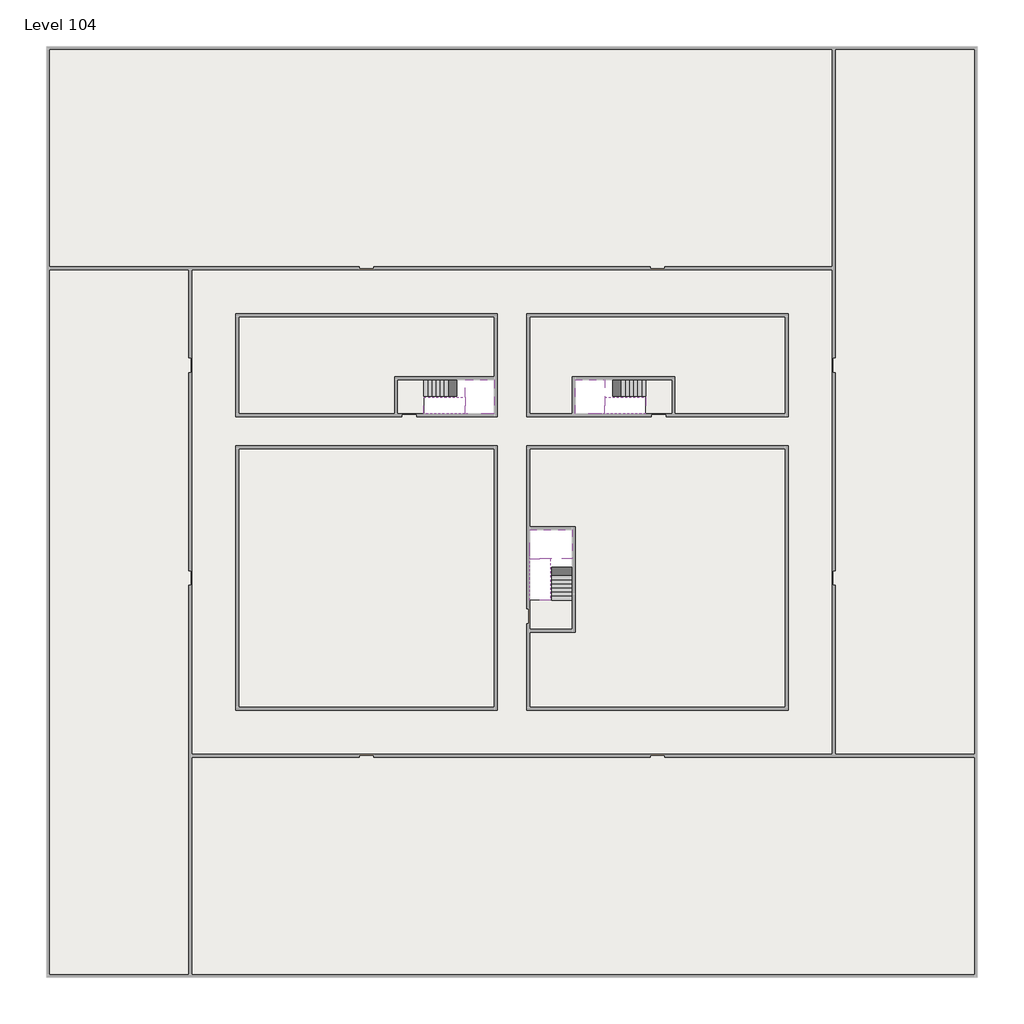
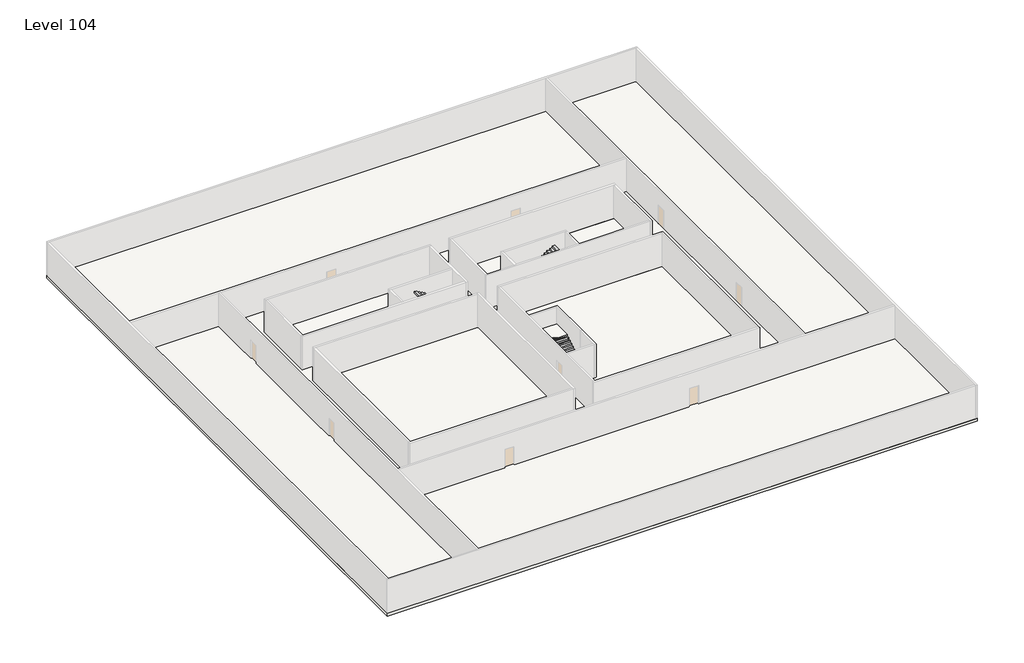
# One storey, part 2 of 2: 6 slabs, 6 stair flights.
"""IFC4 building model written with IfcOpenShell, lengths in millimetres."""

from ifc_helpers import new_model, si_unit, frame, origin, place, context, project, spatial, polyline, outline, extrude, faceted_brep, element, save

model = new_model("IFC4")

# Units and contexts
model_context = context("Model", 3, world=origin())
ifc_project = project(units=[si_unit("LENGTHUNIT", "METRE", prefix="MILLI")], contexts=[model_context])

# Site, building, storey
site = spatial("IfcSite", under=ifc_project)
building = spatial("IfcBuilding", under=site)
storey = spatial("IfcBuildingStorey", under=building, Name="Level 104", Elevation=391400.0)

# Slabs
placement = place(None, origin())
element("IfcSlab", 1, at=placement, inside=storey, context=model_context, shape_type="SweptSolid", body=[
    extrude(outline(polyline([(55890.1058784, -5518.09644), (55890.1058784, -68918.09644), (-7509.8941216, -68918.09644), (-7509.8941216, -5518.09644), (55890.1058784, -5518.09644)]), holes=[polyline([(22990.1058784, -23918.09644), (5590.1058784, -23918.09644), (5590.1058784, -30518.09644), (22990.1058784, -30518.09644), (22990.1058784, -23918.09644)]), polyline([(42990.1058784, -23918.09644), (25390.1058784, -23918.09644), (25390.1058784, -30518.09644), (42990.1058784, -30518.09644), (42990.1058784, -23918.09644)]), polyline([(25390.1058784, -50518.09644), (42790.1058784, -50518.09644), (42790.1058784, -32918.09644), (25390.1058784, -32918.09644), (25390.1058784, -50518.09644)]), polyline([(22990.1058784, -32918.09644), (5590.1058784, -32918.09644), (5590.1058784, -50518.09644), (22990.1058784, -50518.09644), (22990.1058784, -32918.09644)])]), frame((0.0, 0.0, 391100.0), z_axis=(0.0, 0.0, 1.0), x_axis=(1.0, 0.0, 0.0)), (0.0, 0.0, 1.0), 300.0),
])
element("IfcSlab", 2, at=placement, inside=storey, context=model_context, shape_type="SweptSolid", body=[
    extrude(outline(polyline([(22990.1058784, -23918.09644), (22990.1058784, -28018.09644), (16190.1058784, -28018.09644), (16190.1058784, -30518.09644), (5590.1058784, -30518.09644), (5590.1058784, -23918.09644), (22990.1058784, -23918.09644)])), frame((0.0, 0.0, 391100.0), z_axis=(0.0, 0.0, 1.0), x_axis=(1.0, 0.0, 0.0)), (0.0, 0.0, 1.0), 300.0),
    extrude(outline(polyline([(42790.1058784, -23918.09644), (42790.1058784, -30518.09644), (35290.1058784, -30518.09644), (35290.1058784, -28018.09644), (28490.1058784, -28018.09644), (28490.1058784, -30518.09644), (25390.1058784, -30518.09644), (25390.1058784, -23918.09644), (42790.1058784, -23918.09644)])), frame((0.0, 0.0, 391100.0), z_axis=(0.0, 0.0, 1.0), x_axis=(1.0, 0.0, 0.0)), (0.0, 0.0, 1.0), 300.0),
    extrude(outline(polyline([(22990.1058784, -32918.09644), (22990.1058784, -50518.09644), (5590.1058784, -50518.09644), (5590.1058784, -32918.09644), (22990.1058784, -32918.09644)])), frame((0.0, 0.0, 391100.0), z_axis=(0.0, 0.0, 1.0), x_axis=(1.0, 0.0, 0.0)), (0.0, 0.0, 1.0), 300.0),
    extrude(outline(polyline([(25390.1058784, -38218.09644), (25390.1058784, -32918.09644), (42790.1058784, -32918.09644), (42790.1058784, -50518.09644), (25390.1058784, -50518.09644), (25390.1058784, -45418.09644), (28490.1058784, -45418.09644), (28490.1058784, -38218.09644), (25390.1058784, -38218.09644)])), frame((0.0, 0.0, 391100.0), z_axis=(0.0, 0.0, 1.0), x_axis=(1.0, 0.0, 0.0)), (0.0, 0.0, 1.0), 300.0),
])
element("IfcSlab", 3, at=placement, inside=storey, context=model_context, shape_type="Brep", body=[
    faceted_brep([(26890.1058784, -40418.09644, 393300.0), (28290.1058784, -40418.09644, 393300.0), (28290.1058784, -40338.7100038, 393300.0), (28290.1058784, -38418.09644, 393300.0), (25390.1058784, -38418.09644, 393300.0), (25390.1058784, -40217.4828763, 393300.0), (25390.1058784, -40418.09644, 393300.0), (26790.1058784, -40418.09644, 393300.0), (26890.1058784, -40418.09644, 393000.0), (26890.1058784, -40418.09644, 392951.0278478), (28290.1058784, -40418.09644, 392951.0278478), (28290.1058784, -40418.09644, 393127.2727273), (28290.1058784, -40338.7100038, 393000.0), (28290.1058784, -38418.09644, 393000.0), (25390.1058784, -38418.09644, 393000.0), (25390.1058784, -40217.4828763, 393000.0), (25390.1058784, -40418.09644, 393123.7551205), (26790.1058784, -40418.09644, 393123.7551205), (26790.1058784, -40418.09644, 393000.0), (26790.1058784, -40217.4828763, 393000.0), (26890.1058784, -40338.7100038, 393000.0)], [[[0, 1, 2, 3, 4, 5, 6, 7]], [[1, 0, 8, 9, 10, 11]], [[1, 11, 10, 12, 13, 3, 2]], [[4, 3, 13, 14]], [[4, 14, 15, 16, 6, 5]], [[7, 6, 16, 17]], [[0, 7, 17, 18, 8]], [[18, 19, 15, 14, 13, 12, 20, 8]], [[19, 18, 17]], [[20, 12, 10, 9]], [[8, 20, 9]], [[15, 19, 17, 16]]]),
])
element("IfcSlab", 4, at=placement, inside=storey, context=model_context, shape_type="Brep", body=[
    faceted_brep([(20990.1058784, -28218.09644, 393300.0), (20990.1058784, -29318.09644, 393300.0), (20990.1058784, -29418.09644, 393300.0), (20990.1058784, -30518.09644, 393300.0), (21190.7194421, -30518.09644, 393300.0), (22990.1058784, -30518.09644, 393300.0), (22990.1058784, -28218.09644, 393300.0), (21069.4923146, -28218.09644, 393300.0), (20990.1058784, -28218.09644, 393127.2727273), (20990.1058784, -28218.09644, 392951.0278478), (20990.1058784, -29318.09644, 392951.0278478), (20990.1058784, -29318.09644, 393000.0), (20990.1058784, -29418.09644, 393000.0), (20990.1058784, -29418.09644, 393123.7551205), (20990.1058784, -30518.09644, 393123.7551205), (21190.7194421, -30518.09644, 393000.0), (22990.1058784, -30518.09644, 393000.0), (22990.1058784, -28218.09644, 393000.0), (21069.4923146, -28218.09644, 393000.0), (21190.7194421, -29418.09644, 393000.0), (21069.4923146, -29318.09644, 393000.0)], [[[0, 1, 2, 3, 4, 5, 6, 7]], [[1, 0, 8, 9, 10, 11]], [[2, 1, 11, 12, 13]], [[3, 2, 13, 14]], [[3, 14, 15, 16, 5, 4]], [[6, 5, 16, 17]], [[9, 8, 0, 7, 6, 17, 18]], [[19, 12, 11, 20, 18, 17, 16, 15]], [[12, 19, 13]], [[18, 20, 10, 9]], [[20, 11, 10]], [[19, 15, 14, 13]]]),
])
element("IfcSlab", 5, at=placement, inside=storey, context=model_context, shape_type="Brep", body=[
    faceted_brep([(30490.1058784, -29318.09644, 393300.0), (30490.1058784, -28218.09644, 393300.0), (30410.7194421, -28218.09644, 393300.0), (28490.1058784, -28218.09644, 393300.0), (28490.1058784, -30518.09644, 393300.0), (30289.4923146, -30518.09644, 393300.0), (30490.1058784, -30518.09644, 393300.0), (30490.1058784, -29418.09644, 393300.0), (30490.1058784, -29318.09644, 393000.0), (30490.1058784, -29318.09644, 392951.0278478), (30490.1058784, -28218.09644, 392951.0278478), (30490.1058784, -28218.09644, 393127.2727273), (30490.1058784, -29418.09644, 393123.7551205), (30490.1058784, -29418.09644, 393000.0), (30490.1058784, -30518.09644, 393123.7551205), (28490.1058784, -30518.09644, 393000.0), (30289.4923146, -30518.09644, 393000.0), (28490.1058784, -28218.09644, 393000.0), (30410.7194421, -28218.09644, 393000.0), (30289.4923146, -29418.09644, 393000.0), (30410.7194421, -29318.09644, 393000.0)], [[[0, 1, 2, 3, 4, 5, 6, 7]], [[1, 0, 8, 9, 10, 11]], [[0, 7, 12, 13, 8]], [[7, 6, 14, 12]], [[4, 15, 16, 14, 6, 5]], [[4, 3, 17, 15]], [[1, 11, 10, 18, 17, 3, 2]], [[13, 19, 16, 15, 17, 18, 20, 8]], [[20, 18, 10, 9]], [[8, 20, 9]], [[16, 19, 12, 14]], [[19, 13, 12]]]),
])
element("IfcSlab", 6, at=placement, inside=storey, context=model_context, shape_type="SweptSolid", body=[
    extrude(outline(polyline([(35090.1058784, -28218.09644), (35090.1058784, -30518.09644), (33290.1058784, -30518.09644), (33290.1058784, -28218.09644), (35090.1058784, -28218.09644)])), frame((0.0, 0.0, 391100.0), z_axis=(0.0, 0.0, 1.0), x_axis=(1.0, 0.0, 0.0)), (0.0, 0.0, 1.0), 300.0),
    extrude(outline(polyline([(18190.1058784, -28218.09644), (18190.1058784, -30518.09644), (16390.1058784, -30518.09644), (16390.1058784, -28218.09644), (18190.1058784, -28218.09644)])), frame((0.0, 0.0, 391100.0), z_axis=(0.0, 0.0, 1.0), x_axis=(1.0, 0.0, 0.0)), (0.0, 0.0, 1.0), 300.0),
    extrude(outline(polyline([(28290.1058784, -43218.09644), (28290.1058784, -45218.09644), (25390.1058784, -45218.09644), (25390.1058784, -43218.09644), (28290.1058784, -43218.09644)])), frame((0.0, 0.0, 391100.0), z_axis=(0.0, 0.0, 1.0), x_axis=(1.0, 0.0, 0.0)), (0.0, 0.0, 1.0), 300.0),
])

# Stair flights
element("IfcStairFlight", 7, at=placement, inside=storey, context=model_context, shape_type="Brep", body=[
    faceted_brep([(26890.1058784, -42938.09644, 391572.7272727), (26890.1058784, -43218.09644, 391572.7272727), (28290.1058784, -43218.09644, 391572.7272727), (28290.1058784, -42938.09644, 391572.7272727), (26890.1058784, -42938.09644, 391400.0), (26890.1058784, -43218.09644, 391400.0), (28290.1058784, -43218.09644, 391400.0), (28290.1058784, -42938.09644, 391400.0), (26890.1058784, -42658.09644, 391745.4545455), (26890.1058784, -42938.09644, 391745.4545455), (28290.1058784, -42938.09644, 391745.4545455), (28290.1058784, -42658.09644, 391745.4545455), (26890.1058784, -42658.09644, 391569.209666), (26890.1058784, -42932.3942143, 391400.0), (28290.1058784, -42932.3942143, 391400.0), (28290.1058784, -42658.09644, 391569.209666), (26890.1058784, -42378.09644, 391918.1818182), (26890.1058784, -42658.09644, 391918.1818182), (28290.1058784, -42658.09644, 391918.1818182), (28290.1058784, -42378.09644, 391918.1818182), (26890.1058784, -42378.09644, 391741.9369387), (28290.1058784, -42378.09644, 391741.9369387), (26890.1058784, -42098.09644, 392090.9090909), (26890.1058784, -42378.09644, 392090.9090909), (28290.1058784, -42378.09644, 392090.9090909), (28290.1058784, -42098.09644, 392090.9090909), (26890.1058784, -42098.09644, 391914.6642114), (28290.1058784, -42098.09644, 391914.6642114), (26890.1058784, -41818.09644, 392263.6363636), (26890.1058784, -42098.09644, 392263.6363636), (28290.1058784, -42098.09644, 392263.6363636), (28290.1058784, -41818.09644, 392263.6363636), (26890.1058784, -41818.09644, 392087.3914841), (28290.1058784, -41818.09644, 392087.3914841), (26890.1058784, -41538.09644, 392436.3636364), (26890.1058784, -41818.09644, 392436.3636364), (28290.1058784, -41818.09644, 392436.3636364), (28290.1058784, -41538.09644, 392436.3636364), (26890.1058784, -41538.09644, 392260.1187569), (28290.1058784, -41538.09644, 392260.1187569), (26890.1058784, -41258.09644, 392609.0909091), (26890.1058784, -41538.09644, 392609.0909091), (28290.1058784, -41538.09644, 392609.0909091), (28290.1058784, -41258.09644, 392609.0909091), (26890.1058784, -41258.09644, 392432.8460296), (28290.1058784, -41258.09644, 392432.8460296), (26890.1058784, -40978.09644, 392781.8181818), (26890.1058784, -41258.09644, 392781.8181818), (28290.1058784, -41258.09644, 392781.8181818), (28290.1058784, -40978.09644, 392781.8181818), (26890.1058784, -40978.09644, 392605.5733023), (28290.1058784, -40978.09644, 392605.5733023), (26890.1058784, -40698.09644, 392954.5454545), (26890.1058784, -40978.09644, 392954.5454545), (28290.1058784, -40978.09644, 392954.5454545), (28290.1058784, -40698.09644, 392954.5454545), (26890.1058784, -40698.09644, 392778.3005751), (28290.1058784, -40698.09644, 392778.3005751), (26890.1058784, -40418.09644, 393127.2727273), (26890.1058784, -40698.09644, 393127.2727273), (28290.1058784, -40698.09644, 393127.2727273), (28290.1058784, -40418.09644, 393127.2727273), (26890.1058784, -40418.09644, 393000.0), (26890.1058784, -40418.09644, 392951.0278478), (28290.1058784, -40418.09644, 392951.0278478)], [[[0, 1, 2, 3]], [[1, 0, 4, 5]], [[2, 1, 5, 6]], [[3, 2, 6, 7]], [[8, 9, 10, 11]], [[4, 0, 9, 8, 12, 13]], [[0, 3, 10, 9]], [[3, 7, 14, 15, 11, 10]], [[16, 17, 18, 19]], [[17, 16, 20, 12, 8]], [[8, 11, 18, 17]], [[19, 18, 11, 15, 21]], [[22, 23, 24, 25]], [[23, 22, 26, 20, 16]], [[16, 19, 24, 23]], [[25, 24, 19, 21, 27]], [[28, 29, 30, 31]], [[29, 28, 32, 26, 22]], [[22, 25, 30, 29]], [[31, 30, 25, 27, 33]], [[34, 35, 36, 37]], [[35, 34, 38, 32, 28]], [[28, 31, 36, 35]], [[37, 36, 31, 33, 39]], [[40, 41, 42, 43]], [[41, 40, 44, 38, 34]], [[34, 37, 42, 41]], [[43, 42, 37, 39, 45]], [[46, 47, 48, 49]], [[47, 46, 50, 44, 40]], [[40, 43, 48, 47]], [[49, 48, 43, 45, 51]], [[52, 53, 54, 55]], [[53, 52, 56, 50, 46]], [[46, 49, 54, 53]], [[55, 54, 49, 51, 57]], [[58, 59, 60, 61]], [[59, 58, 62, 63, 56, 52]], [[52, 55, 60, 59]], [[61, 60, 55, 57, 64]], [[58, 61, 64, 63, 62]], [[5, 4, 13, 14, 7, 6]], [[14, 13, 12, 20, 26, 32, 38, 44, 50, 56, 63, 64, 57, 51, 45, 39, 33, 27, 21, 15]]]),
])
element("IfcStairFlight", 8, at=placement, inside=storey, context=model_context, shape_type="Brep", body=[
    faceted_brep([(26790.1058784, -40698.09644, 393472.7272727), (26790.1058784, -40418.09644, 393472.7272727), (25390.1058784, -40418.09644, 393472.7272727), (25390.1058784, -40698.09644, 393472.7272727), (26790.1058784, -40698.09644, 393296.4823932), (26790.1058784, -40418.09644, 393123.7551205), (25390.1058784, -40418.09644, 393123.7551205), (25390.1058784, -40418.09644, 393300.0), (25390.1058784, -40698.09644, 393296.4823932), (26790.1058784, -40978.09644, 393645.4545455), (26790.1058784, -40698.09644, 393645.4545455), (25390.1058784, -40698.09644, 393645.4545455), (25390.1058784, -40978.09644, 393645.4545455), (26790.1058784, -40978.09644, 393469.209666), (25390.1058784, -40978.09644, 393469.209666), (26790.1058784, -41258.09644, 393818.1818182), (26790.1058784, -40978.09644, 393818.1818182), (25390.1058784, -40978.09644, 393818.1818182), (25390.1058784, -41258.09644, 393818.1818182), (26790.1058784, -41258.09644, 393641.9369387), (25390.1058784, -41258.09644, 393641.9369387), (26790.1058784, -41538.09644, 393990.9090909), (26790.1058784, -41258.09644, 393990.9090909), (25390.1058784, -41258.09644, 393990.9090909), (25390.1058784, -41538.09644, 393990.9090909), (26790.1058784, -41538.09644, 393814.6642114), (25390.1058784, -41538.09644, 393814.6642114), (26790.1058784, -41818.09644, 394163.6363636), (26790.1058784, -41538.09644, 394163.6363636), (25390.1058784, -41538.09644, 394163.6363636), (25390.1058784, -41818.09644, 394163.6363636), (26790.1058784, -41818.09644, 393987.3914841), (25390.1058784, -41818.09644, 393987.3914841), (26790.1058784, -42098.09644, 394336.3636364), (26790.1058784, -41818.09644, 394336.3636364), (25390.1058784, -41818.09644, 394336.3636364), (25390.1058784, -42098.09644, 394336.3636364), (26790.1058784, -42098.09644, 394160.1187569), (25390.1058784, -42098.09644, 394160.1187569), (26790.1058784, -42378.09644, 394509.0909091), (26790.1058784, -42098.09644, 394509.0909091), (25390.1058784, -42098.09644, 394509.0909091), (25390.1058784, -42378.09644, 394509.0909091), (26790.1058784, -42378.09644, 394332.8460296), (25390.1058784, -42378.09644, 394332.8460296), (26790.1058784, -42658.09644, 394681.8181818), (26790.1058784, -42378.09644, 394681.8181818), (25390.1058784, -42378.09644, 394681.8181818), (25390.1058784, -42658.09644, 394681.8181818), (26790.1058784, -42658.09644, 394505.5733023), (25390.1058784, -42658.09644, 394505.5733023), (26790.1058784, -42938.09644, 394854.5454545), (26790.1058784, -42658.09644, 394854.5454545), (25390.1058784, -42658.09644, 394854.5454545), (25390.1058784, -42938.09644, 394854.5454545), (26790.1058784, -42938.09644, 394678.3005751), (25390.1058784, -42938.09644, 394678.3005751), (26790.1058784, -43218.09644, 395027.2727273), (26790.1058784, -42938.09644, 395027.2727273), (25390.1058784, -42938.09644, 395027.2727273), (25390.1058784, -43218.09644, 395027.2727273), (26790.1058784, -43218.09644, 394851.0278478), (25390.1058784, -43218.09644, 394851.0278478)], [[[0, 1, 2, 3]], [[1, 0, 4, 5]], [[2, 1, 5, 6, 7]], [[3, 2, 7, 6, 8]], [[9, 10, 11, 12]], [[10, 9, 13, 4, 0]], [[11, 10, 0, 3]], [[12, 11, 3, 8, 14]], [[15, 16, 17, 18]], [[16, 15, 19, 13, 9]], [[17, 16, 9, 12]], [[18, 17, 12, 14, 20]], [[21, 22, 23, 24]], [[22, 21, 25, 19, 15]], [[23, 22, 15, 18]], [[24, 23, 18, 20, 26]], [[27, 28, 29, 30]], [[28, 27, 31, 25, 21]], [[29, 28, 21, 24]], [[30, 29, 24, 26, 32]], [[33, 34, 35, 36]], [[34, 33, 37, 31, 27]], [[35, 34, 27, 30]], [[36, 35, 30, 32, 38]], [[39, 40, 41, 42]], [[40, 39, 43, 37, 33]], [[41, 40, 33, 36]], [[42, 41, 36, 38, 44]], [[45, 46, 47, 48]], [[46, 45, 49, 43, 39]], [[47, 46, 39, 42]], [[48, 47, 42, 44, 50]], [[51, 52, 53, 54]], [[52, 51, 55, 49, 45]], [[53, 52, 45, 48]], [[54, 53, 48, 50, 56]], [[57, 58, 59, 60]], [[58, 57, 61, 55, 51]], [[59, 58, 51, 54]], [[60, 59, 54, 56, 62]], [[57, 60, 62, 61]], [[5, 4, 13, 19, 25, 31, 37, 43, 49, 55, 61, 62, 56, 50, 44, 38, 32, 26, 20, 14, 8, 6]]]),
])
element("IfcStairFlight", 9, at=placement, inside=storey, context=model_context, shape_type="Brep", body=[
    faceted_brep([(18470.1058784, -28218.09644, 391572.7272727), (18190.1058784, -28218.09644, 391572.7272727), (18190.1058784, -29318.09644, 391572.7272727), (18470.1058784, -29318.09644, 391572.7272727), (18470.1058784, -28218.09644, 391400.0), (18190.1058784, -28218.09644, 391400.0), (18190.1058784, -29318.09644, 391400.0), (18470.1058784, -29318.09644, 391400.0), (18750.1058784, -28218.09644, 391745.4545455), (18470.1058784, -28218.09644, 391745.4545455), (18470.1058784, -29318.09644, 391745.4545455), (18750.1058784, -29318.09644, 391745.4545455), (18750.1058784, -28218.09644, 391569.209666), (18475.8081041, -28218.09644, 391400.0), (18475.8081041, -29318.09644, 391400.0), (18750.1058784, -29318.09644, 391569.209666), (19030.1058784, -28218.09644, 391918.1818182), (18750.1058784, -28218.09644, 391918.1818182), (18750.1058784, -29318.09644, 391918.1818182), (19030.1058784, -29318.09644, 391918.1818182), (19030.1058784, -28218.09644, 391741.9369387), (19030.1058784, -29318.09644, 391741.9369387), (19310.1058784, -28218.09644, 392090.9090909), (19030.1058784, -28218.09644, 392090.9090909), (19030.1058784, -29318.09644, 392090.9090909), (19310.1058784, -29318.09644, 392090.9090909), (19310.1058784, -28218.09644, 391914.6642114), (19310.1058784, -29318.09644, 391914.6642114), (19590.1058784, -28218.09644, 392263.6363636), (19310.1058784, -28218.09644, 392263.6363636), (19310.1058784, -29318.09644, 392263.6363636), (19590.1058784, -29318.09644, 392263.6363636), (19590.1058784, -28218.09644, 392087.3914841), (19590.1058784, -29318.09644, 392087.3914841), (19870.1058784, -28218.09644, 392436.3636364), (19590.1058784, -28218.09644, 392436.3636364), (19590.1058784, -29318.09644, 392436.3636364), (19870.1058784, -29318.09644, 392436.3636364), (19870.1058784, -28218.09644, 392260.1187569), (19870.1058784, -29318.09644, 392260.1187569), (20150.1058784, -28218.09644, 392609.0909091), (19870.1058784, -28218.09644, 392609.0909091), (19870.1058784, -29318.09644, 392609.0909091), (20150.1058784, -29318.09644, 392609.0909091), (20150.1058784, -28218.09644, 392432.8460296), (20150.1058784, -29318.09644, 392432.8460296), (20430.1058784, -28218.09644, 392781.8181818), (20150.1058784, -28218.09644, 392781.8181818), (20150.1058784, -29318.09644, 392781.8181818), (20430.1058784, -29318.09644, 392781.8181818), (20430.1058784, -28218.09644, 392605.5733023), (20430.1058784, -29318.09644, 392605.5733023), (20710.1058784, -28218.09644, 392954.5454545), (20430.1058784, -28218.09644, 392954.5454545), (20430.1058784, -29318.09644, 392954.5454545), (20710.1058784, -29318.09644, 392954.5454545), (20710.1058784, -28218.09644, 392778.3005751), (20710.1058784, -29318.09644, 392778.3005751), (20990.1058784, -28218.09644, 393127.2727273), (20710.1058784, -28218.09644, 393127.2727273), (20710.1058784, -29318.09644, 393127.2727273), (20990.1058784, -29318.09644, 393127.2727273), (20990.1058784, -28218.09644, 392951.0278478), (20990.1058784, -29318.09644, 392951.0278478), (20990.1058784, -29318.09644, 393000.0)], [[[0, 1, 2, 3]], [[1, 0, 4, 5]], [[2, 1, 5, 6]], [[3, 2, 6, 7]], [[8, 9, 10, 11]], [[4, 0, 9, 8, 12, 13]], [[0, 3, 10, 9]], [[3, 7, 14, 15, 11, 10]], [[16, 17, 18, 19]], [[17, 16, 20, 12, 8]], [[8, 11, 18, 17]], [[19, 18, 11, 15, 21]], [[22, 23, 24, 25]], [[23, 22, 26, 20, 16]], [[16, 19, 24, 23]], [[25, 24, 19, 21, 27]], [[28, 29, 30, 31]], [[29, 28, 32, 26, 22]], [[22, 25, 30, 29]], [[31, 30, 25, 27, 33]], [[34, 35, 36, 37]], [[35, 34, 38, 32, 28]], [[28, 31, 36, 35]], [[37, 36, 31, 33, 39]], [[40, 41, 42, 43]], [[41, 40, 44, 38, 34]], [[34, 37, 42, 41]], [[43, 42, 37, 39, 45]], [[46, 47, 48, 49]], [[47, 46, 50, 44, 40]], [[40, 43, 48, 47]], [[49, 48, 43, 45, 51]], [[52, 53, 54, 55]], [[53, 52, 56, 50, 46]], [[46, 49, 54, 53]], [[55, 54, 49, 51, 57]], [[58, 59, 60, 61]], [[59, 58, 62, 56, 52]], [[52, 55, 60, 59]], [[61, 60, 55, 57, 63, 64]], [[58, 61, 64, 63, 62]], [[5, 4, 13, 14, 7, 6]], [[14, 13, 12, 20, 26, 32, 38, 44, 50, 56, 62, 63, 57, 51, 45, 39, 33, 27, 21, 15]]]),
])
element("IfcStairFlight", 10, at=placement, inside=storey, context=model_context, shape_type="Brep", body=[
    faceted_brep([(20710.1058784, -30518.09644, 393472.7272727), (20990.1058784, -30518.09644, 393472.7272727), (20990.1058784, -29418.09644, 393472.7272727), (20710.1058784, -29418.09644, 393472.7272727), (20710.1058784, -30518.09644, 393296.4823932), (20990.1058784, -30518.09644, 393123.7551205), (20990.1058784, -30518.09644, 393300.0), (20990.1058784, -29418.09644, 393123.7551205), (20710.1058784, -29418.09644, 393296.4823932), (20430.1058784, -30518.09644, 393645.4545455), (20710.1058784, -30518.09644, 393645.4545455), (20710.1058784, -29418.09644, 393645.4545455), (20430.1058784, -29418.09644, 393645.4545455), (20430.1058784, -30518.09644, 393469.209666), (20430.1058784, -29418.09644, 393469.209666), (20150.1058784, -30518.09644, 393818.1818182), (20430.1058784, -30518.09644, 393818.1818182), (20430.1058784, -29418.09644, 393818.1818182), (20150.1058784, -29418.09644, 393818.1818182), (20150.1058784, -30518.09644, 393641.9369387), (20150.1058784, -29418.09644, 393641.9369387), (19870.1058784, -30518.09644, 393990.9090909), (20150.1058784, -30518.09644, 393990.9090909), (20150.1058784, -29418.09644, 393990.9090909), (19870.1058784, -29418.09644, 393990.9090909), (19870.1058784, -30518.09644, 393814.6642114), (19870.1058784, -29418.09644, 393814.6642114), (19590.1058784, -30518.09644, 394163.6363636), (19870.1058784, -30518.09644, 394163.6363636), (19870.1058784, -29418.09644, 394163.6363636), (19590.1058784, -29418.09644, 394163.6363636), (19590.1058784, -30518.09644, 393987.3914841), (19590.1058784, -29418.09644, 393987.3914841), (19310.1058784, -30518.09644, 394336.3636364), (19590.1058784, -30518.09644, 394336.3636364), (19590.1058784, -29418.09644, 394336.3636364), (19310.1058784, -29418.09644, 394336.3636364), (19310.1058784, -30518.09644, 394160.1187569), (19310.1058784, -29418.09644, 394160.1187569), (19030.1058784, -30518.09644, 394509.0909091), (19310.1058784, -30518.09644, 394509.0909091), (19310.1058784, -29418.09644, 394509.0909091), (19030.1058784, -29418.09644, 394509.0909091), (19030.1058784, -30518.09644, 394332.8460296), (19030.1058784, -29418.09644, 394332.8460296), (18750.1058784, -30518.09644, 394681.8181818), (19030.1058784, -30518.09644, 394681.8181818), (19030.1058784, -29418.09644, 394681.8181818), (18750.1058784, -29418.09644, 394681.8181818), (18750.1058784, -30518.09644, 394505.5733023), (18750.1058784, -29418.09644, 394505.5733023), (18470.1058784, -30518.09644, 394854.5454545), (18750.1058784, -30518.09644, 394854.5454545), (18750.1058784, -29418.09644, 394854.5454545), (18470.1058784, -29418.09644, 394854.5454545), (18470.1058784, -30518.09644, 394678.3005751), (18470.1058784, -29418.09644, 394678.3005751), (18190.1058784, -30518.09644, 395027.2727273), (18470.1058784, -30518.09644, 395027.2727273), (18470.1058784, -29418.09644, 395027.2727273), (18190.1058784, -29418.09644, 395027.2727273), (18190.1058784, -30518.09644, 394851.0278478), (18190.1058784, -29418.09644, 394851.0278478)], [[[0, 1, 2, 3]], [[1, 0, 4, 5, 6]], [[2, 1, 6, 5, 7]], [[3, 2, 7, 8]], [[9, 10, 11, 12]], [[10, 9, 13, 4, 0]], [[11, 10, 0, 3]], [[12, 11, 3, 8, 14]], [[15, 16, 17, 18]], [[16, 15, 19, 13, 9]], [[17, 16, 9, 12]], [[18, 17, 12, 14, 20]], [[21, 22, 23, 24]], [[22, 21, 25, 19, 15]], [[23, 22, 15, 18]], [[24, 23, 18, 20, 26]], [[27, 28, 29, 30]], [[28, 27, 31, 25, 21]], [[29, 28, 21, 24]], [[30, 29, 24, 26, 32]], [[33, 34, 35, 36]], [[34, 33, 37, 31, 27]], [[35, 34, 27, 30]], [[36, 35, 30, 32, 38]], [[39, 40, 41, 42]], [[40, 39, 43, 37, 33]], [[41, 40, 33, 36]], [[42, 41, 36, 38, 44]], [[45, 46, 47, 48]], [[46, 45, 49, 43, 39]], [[47, 46, 39, 42]], [[48, 47, 42, 44, 50]], [[51, 52, 53, 54]], [[52, 51, 55, 49, 45]], [[53, 52, 45, 48]], [[54, 53, 48, 50, 56]], [[57, 58, 59, 60]], [[58, 57, 61, 55, 51]], [[59, 58, 51, 54]], [[60, 59, 54, 56, 62]], [[57, 60, 62, 61]], [[5, 4, 13, 19, 25, 31, 37, 43, 49, 55, 61, 62, 56, 50, 44, 38, 32, 26, 20, 14, 8, 7]]]),
])
element("IfcStairFlight", 11, at=placement, inside=storey, context=model_context, shape_type="Brep", body=[
    faceted_brep([(33010.1058784, -29318.09644, 391572.7272727), (33290.1058784, -29318.09644, 391572.7272727), (33290.1058784, -28218.09644, 391572.7272727), (33010.1058784, -28218.09644, 391572.7272727), (33290.1058784, -28218.09644, 391400.0), (33010.1058784, -28218.09644, 391400.0), (33290.1058784, -29318.09644, 391400.0), (33010.1058784, -29318.09644, 391400.0), (32730.1058784, -29318.09644, 391745.4545455), (33010.1058784, -29318.09644, 391745.4545455), (33010.1058784, -28218.09644, 391745.4545455), (32730.1058784, -28218.09644, 391745.4545455), (33004.4036527, -28218.09644, 391400.0), (32730.1058784, -28218.09644, 391569.209666), (32730.1058784, -29318.09644, 391569.209666), (33004.4036527, -29318.09644, 391400.0), (32450.1058784, -29318.09644, 391918.1818182), (32730.1058784, -29318.09644, 391918.1818182), (32730.1058784, -28218.09644, 391918.1818182), (32450.1058784, -28218.09644, 391918.1818182), (32450.1058784, -28218.09644, 391741.9369387), (32450.1058784, -29318.09644, 391741.9369387), (32170.1058784, -29318.09644, 392090.9090909), (32450.1058784, -29318.09644, 392090.9090909), (32450.1058784, -28218.09644, 392090.9090909), (32170.1058784, -28218.09644, 392090.9090909), (32170.1058784, -28218.09644, 391914.6642114), (32170.1058784, -29318.09644, 391914.6642114), (31890.1058784, -29318.09644, 392263.6363636), (32170.1058784, -29318.09644, 392263.6363636), (32170.1058784, -28218.09644, 392263.6363636), (31890.1058784, -28218.09644, 392263.6363636), (31890.1058784, -28218.09644, 392087.3914841), (31890.1058784, -29318.09644, 392087.3914841), (31610.1058784, -29318.09644, 392436.3636364), (31890.1058784, -29318.09644, 392436.3636364), (31890.1058784, -28218.09644, 392436.3636364), (31610.1058784, -28218.09644, 392436.3636364), (31610.1058784, -28218.09644, 392260.1187569), (31610.1058784, -29318.09644, 392260.1187569), (31330.1058784, -29318.09644, 392609.0909091), (31610.1058784, -29318.09644, 392609.0909091), (31610.1058784, -28218.09644, 392609.0909091), (31330.1058784, -28218.09644, 392609.0909091), (31330.1058784, -28218.09644, 392432.8460296), (31330.1058784, -29318.09644, 392432.8460296), (31050.1058784, -29318.09644, 392781.8181818), (31330.1058784, -29318.09644, 392781.8181818), (31330.1058784, -28218.09644, 392781.8181818), (31050.1058784, -28218.09644, 392781.8181818), (31050.1058784, -28218.09644, 392605.5733023), (31050.1058784, -29318.09644, 392605.5733023), (30770.1058784, -29318.09644, 392954.5454545), (31050.1058784, -29318.09644, 392954.5454545), (31050.1058784, -28218.09644, 392954.5454545), (30770.1058784, -28218.09644, 392954.5454545), (30770.1058784, -28218.09644, 392778.3005751), (30770.1058784, -29318.09644, 392778.3005751), (30490.1058784, -29318.09644, 393127.2727273), (30770.1058784, -29318.09644, 393127.2727273), (30770.1058784, -28218.09644, 393127.2727273), (30490.1058784, -28218.09644, 393127.2727273), (30490.1058784, -28218.09644, 392951.0278478), (30490.1058784, -29318.09644, 393000.0), (30490.1058784, -29318.09644, 392951.0278478)], [[[0, 1, 2, 3]], [[3, 2, 4, 5]], [[2, 1, 6, 4]], [[1, 0, 7, 6]], [[8, 9, 10, 11]], [[3, 5, 12, 13, 11, 10]], [[0, 3, 10, 9]], [[7, 0, 9, 8, 14, 15]], [[16, 17, 18, 19]], [[19, 18, 11, 13, 20]], [[8, 11, 18, 17]], [[17, 16, 21, 14, 8]], [[22, 23, 24, 25]], [[25, 24, 19, 20, 26]], [[16, 19, 24, 23]], [[23, 22, 27, 21, 16]], [[28, 29, 30, 31]], [[31, 30, 25, 26, 32]], [[22, 25, 30, 29]], [[29, 28, 33, 27, 22]], [[34, 35, 36, 37]], [[37, 36, 31, 32, 38]], [[28, 31, 36, 35]], [[35, 34, 39, 33, 28]], [[40, 41, 42, 43]], [[43, 42, 37, 38, 44]], [[34, 37, 42, 41]], [[41, 40, 45, 39, 34]], [[46, 47, 48, 49]], [[49, 48, 43, 44, 50]], [[40, 43, 48, 47]], [[47, 46, 51, 45, 40]], [[52, 53, 54, 55]], [[55, 54, 49, 50, 56]], [[46, 49, 54, 53]], [[53, 52, 57, 51, 46]], [[58, 59, 60, 61]], [[61, 60, 55, 56, 62]], [[52, 55, 60, 59]], [[59, 58, 63, 64, 57, 52]], [[58, 61, 62, 64, 63]], [[6, 7, 15, 12, 5, 4]], [[12, 15, 14, 21, 27, 33, 39, 45, 51, 57, 64, 62, 56, 50, 44, 38, 32, 26, 20, 13]]]),
])
element("IfcStairFlight", 12, at=placement, inside=storey, context=model_context, shape_type="Brep", body=[
    faceted_brep([(30770.1058784, -29418.09644, 393472.7272727), (30490.1058784, -29418.09644, 393472.7272727), (30490.1058784, -30518.09644, 393472.7272727), (30770.1058784, -30518.09644, 393472.7272727), (30490.1058784, -30518.09644, 393300.0), (30490.1058784, -30518.09644, 393123.7551205), (30770.1058784, -30518.09644, 393296.4823932), (30490.1058784, -29418.09644, 393123.7551205), (30770.1058784, -29418.09644, 393296.4823932), (31050.1058784, -29418.09644, 393645.4545455), (30770.1058784, -29418.09644, 393645.4545455), (30770.1058784, -30518.09644, 393645.4545455), (31050.1058784, -30518.09644, 393645.4545455), (31050.1058784, -30518.09644, 393469.209666), (31050.1058784, -29418.09644, 393469.209666), (31330.1058784, -29418.09644, 393818.1818182), (31050.1058784, -29418.09644, 393818.1818182), (31050.1058784, -30518.09644, 393818.1818182), (31330.1058784, -30518.09644, 393818.1818182), (31330.1058784, -30518.09644, 393641.9369387), (31330.1058784, -29418.09644, 393641.9369387), (31610.1058784, -29418.09644, 393990.9090909), (31330.1058784, -29418.09644, 393990.9090909), (31330.1058784, -30518.09644, 393990.9090909), (31610.1058784, -30518.09644, 393990.9090909), (31610.1058784, -30518.09644, 393814.6642114), (31610.1058784, -29418.09644, 393814.6642114), (31890.1058784, -29418.09644, 394163.6363636), (31610.1058784, -29418.09644, 394163.6363636), (31610.1058784, -30518.09644, 394163.6363636), (31890.1058784, -30518.09644, 394163.6363636), (31890.1058784, -30518.09644, 393987.3914841), (31890.1058784, -29418.09644, 393987.3914841), (32170.1058784, -29418.09644, 394336.3636364), (31890.1058784, -29418.09644, 394336.3636364), (31890.1058784, -30518.09644, 394336.3636364), (32170.1058784, -30518.09644, 394336.3636364), (32170.1058784, -30518.09644, 394160.1187569), (32170.1058784, -29418.09644, 394160.1187569), (32450.1058784, -29418.09644, 394509.0909091), (32170.1058784, -29418.09644, 394509.0909091), (32170.1058784, -30518.09644, 394509.0909091), (32450.1058784, -30518.09644, 394509.0909091), (32450.1058784, -30518.09644, 394332.8460296), (32450.1058784, -29418.09644, 394332.8460296), (32730.1058784, -29418.09644, 394681.8181818), (32450.1058784, -29418.09644, 394681.8181818), (32450.1058784, -30518.09644, 394681.8181818), (32730.1058784, -30518.09644, 394681.8181818), (32730.1058784, -30518.09644, 394505.5733023), (32730.1058784, -29418.09644, 394505.5733023), (33010.1058784, -29418.09644, 394854.5454545), (32730.1058784, -29418.09644, 394854.5454545), (32730.1058784, -30518.09644, 394854.5454545), (33010.1058784, -30518.09644, 394854.5454545), (33010.1058784, -30518.09644, 394678.3005751), (33010.1058784, -29418.09644, 394678.3005751), (33290.1058784, -29418.09644, 395027.2727273), (33010.1058784, -29418.09644, 395027.2727273), (33010.1058784, -30518.09644, 395027.2727273), (33290.1058784, -30518.09644, 395027.2727273), (33290.1058784, -30518.09644, 394851.0278478), (33290.1058784, -29418.09644, 394851.0278478)], [[[0, 1, 2, 3]], [[3, 2, 4, 5, 6]], [[2, 1, 7, 5, 4]], [[1, 0, 8, 7]], [[9, 10, 11, 12]], [[12, 11, 3, 6, 13]], [[11, 10, 0, 3]], [[10, 9, 14, 8, 0]], [[15, 16, 17, 18]], [[18, 17, 12, 13, 19]], [[17, 16, 9, 12]], [[16, 15, 20, 14, 9]], [[21, 22, 23, 24]], [[24, 23, 18, 19, 25]], [[23, 22, 15, 18]], [[22, 21, 26, 20, 15]], [[27, 28, 29, 30]], [[30, 29, 24, 25, 31]], [[29, 28, 21, 24]], [[28, 27, 32, 26, 21]], [[33, 34, 35, 36]], [[36, 35, 30, 31, 37]], [[35, 34, 27, 30]], [[34, 33, 38, 32, 27]], [[39, 40, 41, 42]], [[42, 41, 36, 37, 43]], [[41, 40, 33, 36]], [[40, 39, 44, 38, 33]], [[45, 46, 47, 48]], [[48, 47, 42, 43, 49]], [[47, 46, 39, 42]], [[46, 45, 50, 44, 39]], [[51, 52, 53, 54]], [[54, 53, 48, 49, 55]], [[53, 52, 45, 48]], [[52, 51, 56, 50, 45]], [[57, 58, 59, 60]], [[60, 59, 54, 55, 61]], [[59, 58, 51, 54]], [[58, 57, 62, 56, 51]], [[57, 60, 61, 62]], [[7, 8, 14, 20, 26, 32, 38, 44, 50, 56, 62, 61, 55, 49, 43, 37, 31, 25, 19, 13, 6, 5]]]),
])

save(model, "model.ifc")
